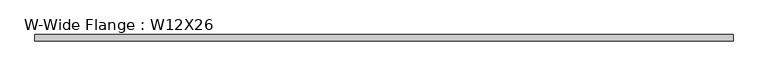
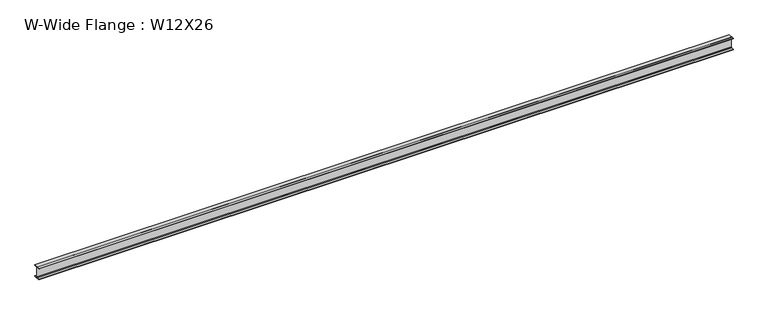
"""IFC4 building model written with IfcOpenShell, lengths in millimetres: beam geometry, W-Wide Flange : W12X26."""

from ifc_helpers import new_model, si_unit, point, frame, frame_2d, origin, place, context, project, spatial, polyline, circle_curve, trimmed, segment, composite_curve, outline, extrude, source, transform, mapped, element, save


def w_wide_flange_w12x26_30884dd2(model_context):
    return source(origin(), model_context, "Body", "SweptSolid", [
        extrude(outline(composite_curve([segment(polyline([(82.4011719, -145.5539063), (82.4011719, -155.178125), (-82.4011719, -155.178125), (-82.4011719, -145.5539063), (-20.2902344, -145.5539063)]), True, "CONTINUOUS"), segment(trimmed(circle_curve(frame_2d((-20.2902344, -128.190625)), 17.3632812), [point((-20.2902344, -145.5539063))], [point((-2.9269531, -128.190625))], True, "CARTESIAN"), True, "CONTINUOUS"), segment(polyline([(-2.9269531, -128.190625), (-2.9269531, 128.190625)]), True, "CONTINUOUS"), segment(trimmed(circle_curve(frame_2d((-20.2902344, 128.190625)), 17.3632812), [point((-2.9269531, 128.190625))], [point((-20.2902344, 145.5539062))], True, "CARTESIAN"), True, "CONTINUOUS"), segment(polyline([(-20.2902344, 145.5539062), (-82.4011719, 145.5539062), (-82.4011719, 155.178125), (82.4011719, 155.178125), (82.4011719, 145.5539062), (20.2902344, 145.5539062)]), True, "CONTINUOUS"), segment(trimmed(circle_curve(frame_2d((20.2902344, 128.190625)), 17.3632812), [point((20.2902344, 145.5539062))], [point((2.9269531, 128.190625))], True, "CARTESIAN"), True, "CONTINUOUS"), segment(polyline([(2.9269531, 128.190625), (2.9269531, -128.190625)]), True, "CONTINUOUS"), segment(trimmed(circle_curve(frame_2d((20.2902344, -128.190625)), 17.3632812), [point((2.9269531, -128.190625))], [point((20.2902344, -145.5539063))], True, "CARTESIAN"), True, "CONTINUOUS"), segment(polyline([(20.2902344, -145.5539063), (82.4011719, -145.5539063)]), True, "CONTINUOUS")], self_intersect=False)), frame((-9169.181943, 0.0, 0.0), z_axis=(1.0, 0.0, 0.0), x_axis=(0.0, 1.0, 0.0)), (0.0, 0.0, 1.0), 18338.3638861),
    ])


if __name__ == "__main__":
    model = new_model("IFC4")
    model_context = context("Model", 3, world=origin())
    ifc_project = project(units=[si_unit("LENGTHUNIT", "METRE", prefix="MILLI")], contexts=[model_context])
    site = spatial("IfcSite", under=ifc_project)
    building = spatial("IfcBuilding", under=site)
    placement = place(None, origin())
    w_wide_flange_w12x26_shape = w_wide_flange_w12x26_30884dd2(model_context)
    element("IfcBeam", 1, ObjectType="W-Wide Flange : W12X26", at=placement, inside=building, context=model_context, shape_type="MappedRepresentation", body=[
        mapped(w_wide_flange_w12x26_shape, transform((0.0, 0.0, 0.0), x_axis=(1.0, 0.0, 0.0), y_axis=(0.0, 1.0, 0.0), z_axis=(0.0, 0.0, 1.0))),
    ])
    save(model, "model.ifc")
